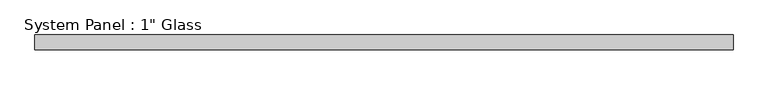
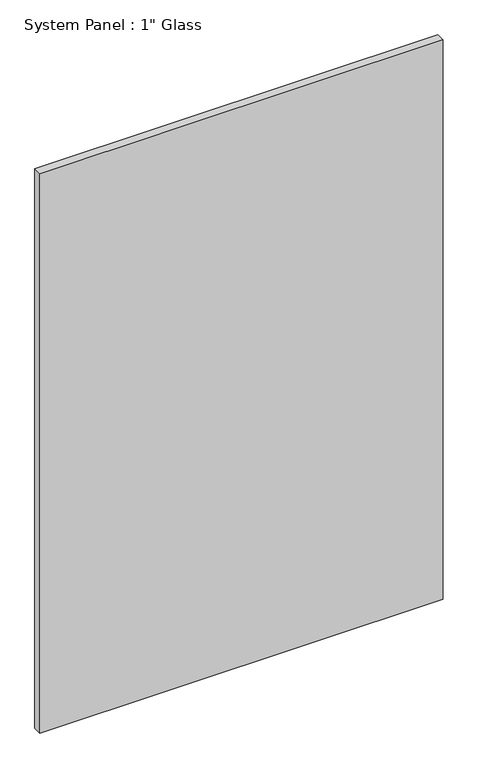
"""IFC4 building model written with IfcOpenShell, lengths in millimetres: plate geometry."""

from ifc_helpers import new_model, si_unit, origin, origin_with_axes, place, context, project, spatial, polyline, outline, extrude, source, transform, mapped, element, save


def plate_4d172eb3(model_context):
    return source(origin(), model_context, "Body", "SweptSolid", [
        extrude(outline(polyline([(593.4789648, -12.7), (-593.4789648, -12.7), (-593.4789648, 12.7), (593.4789648, 12.7), (593.4789648, -12.7)])), origin_with_axes(), (0.0, 0.0, 1.0), 1739.9),
    ])


if __name__ == "__main__":
    model = new_model("IFC4")
    model_context = context("Model", 3, world=origin())
    ifc_project = project(units=[si_unit("LENGTHUNIT", "METRE", prefix="MILLI")], contexts=[model_context])
    site = spatial("IfcSite", under=ifc_project)
    building = spatial("IfcBuilding", under=site)
    placement = place(None, origin())
    plate_shape = plate_4d172eb3(model_context)
    element("IfcPlate", 1, ObjectType="System Panel : 1\" Glass", at=placement, inside=building, context=model_context, shape_type="MappedRepresentation", body=[
        mapped(plate_shape, transform((0.0, 0.0, 0.0), x_axis=(1.0, 0.0, 0.0), y_axis=(0.0, 1.0, 0.0), z_axis=(0.0, 0.0, 1.0))),
    ])
    save(model, "model.ifc")
